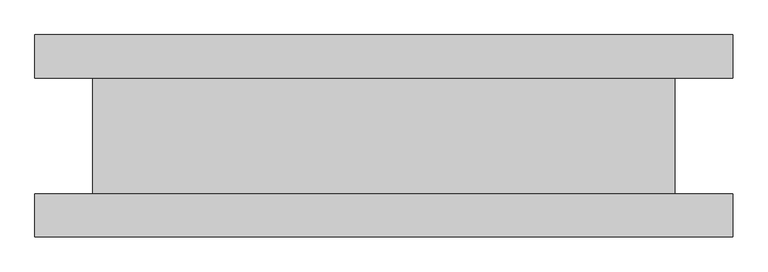
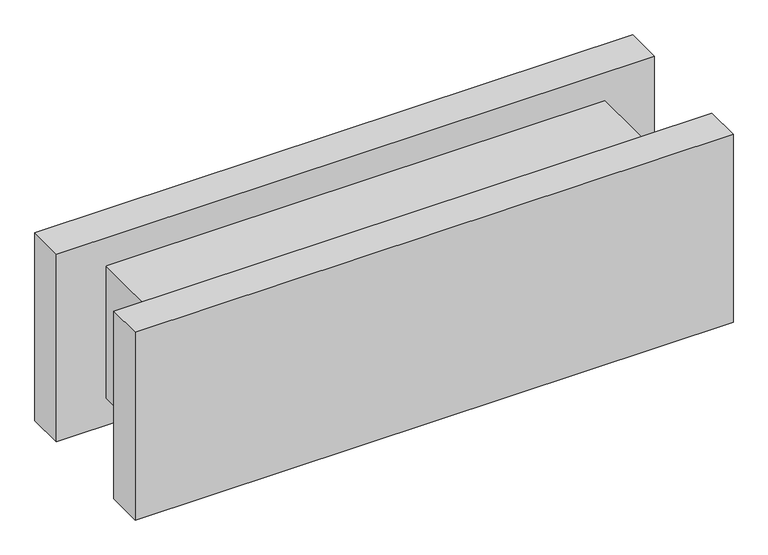
"""IFC4 building model written with IfcOpenShell, lengths in millimetres: plate geometry."""

from ifc_helpers import new_model, si_unit, frame, origin, origin_with_axes, place, context, project, spatial, polyline, outline, extrude, source, transform, mapped, element, save


def plate_be94224c(model_context):
    return source(origin(), model_context, "Body", "SweptSolid", [
        extrude(outline(polyline([(603.125, -175.0), (-603.125, -175.0), (-603.125, -100.0), (603.125, -100.0), (603.125, -175.0)])), origin_with_axes(), (0.0, 0.0, 1.0), 400.0),
        extrude(outline(polyline([(603.125, 100.0), (-603.125, 100.0), (-603.125, 175.0), (603.125, 175.0), (603.125, 100.0)])), origin_with_axes(), (0.0, 0.0, 1.0), 400.0),
        extrude(outline(polyline([(503.125, -100.0), (-503.125, -100.0), (-503.125, 100.0), (503.125, 100.0), (503.125, -100.0)])), frame((0.0, 0.0, 59.45), z_axis=(0.0, 0.0, 1.0), x_axis=(1.0, 0.0, 0.0)), (0.0, 0.0, 1.0), 281.1),
    ])


if __name__ == "__main__":
    model = new_model("IFC4")
    model_context = context("Model", 3, world=origin())
    ifc_project = project(units=[si_unit("LENGTHUNIT", "METRE", prefix="MILLI")], contexts=[model_context])
    site = spatial("IfcSite", under=ifc_project)
    building = spatial("IfcBuilding", under=site)
    placement = place(None, origin())
    plate_shape = plate_be94224c(model_context)
    element("IfcPlate", 1, at=placement, inside=building, context=model_context, shape_type="MappedRepresentation", body=[
        mapped(plate_shape, transform((0.0, 0.0, 0.0), x_axis=(1.0, 0.0, 0.0), y_axis=(0.0, 1.0, 0.0), z_axis=(0.0, 0.0, 1.0))),
    ])
    save(model, "model.ifc")
